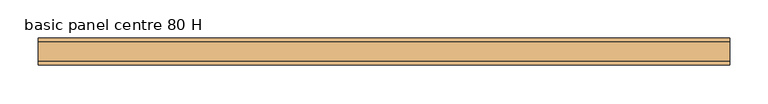
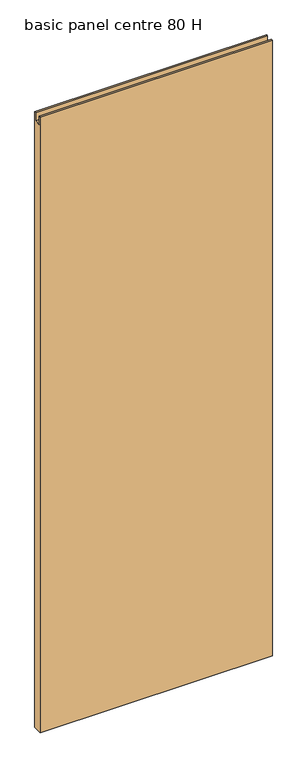
"""IFC4 building model written with IfcOpenShell, lengths in millimetres: door geometry, basic panel centre 80 H."""

import ifcopenshell
import ifcopenshell.guid

model = None  # the IFC model being written
_history = None  # IfcOwnerHistory: only IFC2X3 demands one
_inside = {}  # id of a spatial element -> (the spatial element, [elements in it])
_under = {}  # id of a project, library or spatial element -> (it, [spatial elements below it])
_declared = {}  # id of a project -> (the project, [libraries it declares])
_typed = {}  # id of a type object -> (the type object, [elements of that type])
_made_of = {}  # id of a material, layer set ... -> (it, [elements and type objects made of it])


def new_model(schema):
    """Start an empty IFC model of exactly this schema.

    Asked for "IFC4X3", IfcOpenShell would pick the latest addendum, in which some entities
    have other attributes; the version numbers below select the first issue.
    IFC2X3 requires an IfcOwnerHistory on every rooted entity: one is made here for all.
    """
    global model, _history
    if schema == "IFC4X3":
        model = ifcopenshell.file(schema_version=(4, 3, 0, 0))
    else:
        model = ifcopenshell.file(schema=schema)
    _inside.clear()
    _under.clear()
    _declared.clear()
    _typed.clear()
    _made_of.clear()
    _history = None
    if model.schema == "IFC2X3":
        org = make("IfcOrganization", Name="unknown")
        user = make(
            "IfcPersonAndOrganization",
            ThePerson=make("IfcPerson", FamilyName="unknown"),
            TheOrganization=org,
        )
        app = make(
            "IfcApplication",
            ApplicationDeveloper=org,
            Version="unknown",
            ApplicationFullName="unknown",
            ApplicationIdentifier="unknown",
        )
        _history = make(
            "IfcOwnerHistory",
            OwningUser=user,
            OwningApplication=app,
            ChangeAction="ADDED",
            CreationDate=0,
        )
    return model


def make(cls, **values):
    """One entity of the class cls with the attributes given. An attribute that is None is left unset."""
    return model.create_entity(
        cls, **{name: value for name, value in values.items() if value is not None}
    )


def rooted(cls, **values):
    """An entity with a GlobalId (a new one), such as an element, a storey or a relation."""
    return make(cls, GlobalId=ifcopenshell.guid.new(), OwnerHistory=_history, **values)


def si_unit(unit_type, name, prefix=None):
    """IfcSIUnit, for example si_unit("LENGTHUNIT", "METRE", prefix="MILLI")."""
    return make("IfcSIUnit", UnitType=unit_type, Prefix=prefix, Name=name)


def assignment(units):
    """IfcUnitAssignment: the units of a project."""
    return None if units is None else make("IfcUnitAssignment", Units=units)


def point(xyz):
    """IfcCartesianPoint."""
    return None if xyz is None else make("IfcCartesianPoint", Coordinates=xyz)


def direction(xyz):
    """IfcDirection."""
    return None if xyz is None else make("IfcDirection", DirectionRatios=xyz)


def frame(location, z_axis=None, x_axis=None):
    """IfcAxis2Placement3D, a coordinate frame: its origin and axes. An axis left out is left unset."""
    return make(
        "IfcAxis2Placement3D",
        Location=point(location),
        Axis=direction(z_axis),
        RefDirection=direction(x_axis),
    )


def origin():
    """The frame at (0, 0, 0) with its axes left unset."""
    return frame((0.0, 0.0, 0.0))


def place(relative_to, where):
    """IfcLocalPlacement: puts the frame where relative to a parent placement (None: the world)."""
    return make(
        "IfcLocalPlacement", PlacementRelTo=relative_to, RelativePlacement=where
    )


def context(
    kind, dimensions, precision=None, world=None, true_north=None, identifier=None
):
    """IfcGeometricRepresentationContext, for example the 3D "Model" context."""
    return make(
        "IfcGeometricRepresentationContext",
        ContextIdentifier=identifier,
        ContextType=kind,
        CoordinateSpaceDimension=dimensions,
        Precision=precision,
        WorldCoordinateSystem=world,
        TrueNorth=true_north,
    )


def project(units=None, contexts=None):
    """IfcProject with its units and contexts."""
    return rooted(
        "IfcProject",
        Name="project",
        RepresentationContexts=contexts,
        UnitsInContext=assignment(units),
    )


def spatial(cls, under=None, at=None, **own):
    """A site, building, storey or space (cls), placed at a placement, below another one or the project."""
    s = rooted(cls, ObjectPlacement=at, **own)
    if under is not None:
        _under.setdefault(under.id(), (under, []))[1].append(s)
    return s


def polyline(points):
    """IfcPolyline through the points."""
    return make("IfcPolyline", Points=[point(p) for p in points])


def outline(outer, holes=None, kind="AREA"):
    """IfcArbitraryClosedProfileDef: a profile drawn as a closed curve; with holes, ...WithVoids."""
    if holes is None:
        return make("IfcArbitraryClosedProfileDef", ProfileType=kind, OuterCurve=outer)
    return make(
        "IfcArbitraryProfileDefWithVoids",
        ProfileType=kind,
        OuterCurve=outer,
        InnerCurves=holes,
    )


def extrude(swept, where, along, depth):
    """IfcExtrudedAreaSolid: the profile swept, set in the frame where, extruded along a direction by depth."""
    return make(
        "IfcExtrudedAreaSolid",
        SweptArea=swept,
        Position=where,
        ExtrudedDirection=direction(along),
        Depth=depth,
    )


def shape(context_of_items, identifier, shape_type, items):
    """IfcShapeRepresentation: the items that make up one representation, for example the "Body"."""
    return make(
        "IfcShapeRepresentation",
        ContextOfItems=context_of_items,
        RepresentationIdentifier=identifier,
        RepresentationType=shape_type,
        Items=items,
    )


def source(mapping_origin, context_of_items, identifier, shape_type, items):
    """IfcRepresentationMap: a shape defined once, which mapped items show again and again."""
    return make(
        "IfcRepresentationMap",
        MappingOrigin=mapping_origin,
        MappedRepresentation=shape(context_of_items, identifier, shape_type, items),
    )


def transform(
    local_origin,
    x_axis=None,
    y_axis=None,
    z_axis=None,
    scale=None,
    scale2=None,
    scale3=None,
    uniform=True,
):
    """IfcCartesianTransformationOperator3D, or its non-uniform kind. x_axis, y_axis, z_axis: its Axis1, 2, 3."""
    if uniform:
        return make(
            "IfcCartesianTransformationOperator3D",
            Axis1=direction(x_axis),
            Axis2=direction(y_axis),
            LocalOrigin=point(local_origin),
            Scale=scale,
            Axis3=direction(z_axis),
        )
    return make(
        "IfcCartesianTransformationOperator3DnonUniform",
        Axis1=direction(x_axis),
        Axis2=direction(y_axis),
        LocalOrigin=point(local_origin),
        Scale=scale,
        Axis3=direction(z_axis),
        Scale2=scale2,
        Scale3=scale3,
    )


def mapped(mapping_source, mapping_target):
    """IfcMappedItem: shows the shape of a source again, moved by a transform."""
    return make(
        "IfcMappedItem", MappingSource=mapping_source, MappingTarget=mapping_target
    )


def made_of(thing, what):
    """Note that an element or type object is made of a material, layer set ...; save() writes the relation."""
    if what is not None:
        _made_of.setdefault(what.id(), (what, []))[1].append(thing)
    return thing


def element(
    cls,
    number,
    at=None,
    inside=None,
    cuts=None,
    type_object=None,
    material=None,
    context=None,
    identifier="Body",
    shape_type=None,
    held_by="IfcProductDefinitionShape",
    body=None,
    shapes=None,
    **own,
):
    """One element of the class cls, such as IfcWall. Its Tag is "e" and its number.

    at: its placement. inside: the storey or other place that contains it. cuts: it is an
    opening in that element (IfcRelVoidsElement). A single representation is given by context,
    identifier, shape_type and body (its items); several are given by shapes. held_by: the class
    of the entity that holds the representations. save() writes the other relations.
    """
    e = rooted(cls, Tag="e%d" % number, ObjectPlacement=at, **own)
    if body is not None:
        shapes = [shape(context, identifier, shape_type, body)]
    if shapes is not None:
        e.Representation = make(held_by, Representations=shapes)
    if inside is not None:
        _inside.setdefault(inside.id(), (inside, []))[1].append(e)
    if cuts is not None:
        rooted(
            "IfcRelVoidsElement", RelatingBuildingElement=cuts, RelatedOpeningElement=e
        )
    if type_object is not None:
        _typed.setdefault(type_object.id(), (type_object, []))[1].append(e)
    return made_of(e, material)


def aggregate(whole, parts):
    """IfcRelAggregates: a whole, such as a stair, and the parts it consists of."""
    return rooted("IfcRelAggregates", RelatingObject=whole, RelatedObjects=parts)


def save(model, path):
    """Write the relations noted so far, then the file.

    IfcRelAggregates (storeys below a building ...), IfcRelContainedInSpatialStructure (elements
    in a storey), IfcRelDefinesByType, IfcRelAssociatesMaterial and IfcRelDeclares: one each for
    every whole, place, type object, material and project.
    """
    for whole, parts in _under.values():
        aggregate(whole, parts)
    for where, things in _inside.values():
        rooted(
            "IfcRelContainedInSpatialStructure",
            RelatedElements=things,
            RelatingStructure=where,
        )
    for kind, things in _typed.values():
        rooted("IfcRelDefinesByType", RelatedObjects=things, RelatingType=kind)
    for what, things in _made_of.values():
        rooted("IfcRelAssociatesMaterial", RelatedObjects=things, RelatingMaterial=what)
    for by, libraries in _declared.values():
        rooted("IfcRelDeclares", RelatingContext=by, RelatedDefinitions=libraries)
    model.write(path)


def basic_panel_centre_80_h_8e242595(model_context):
    return source(origin(), model_context, "Body", "SweptSolid", [
        extrude(outline(polyline([(17.5, 11.0), (-17.5, 11.0), (-17.5, 2531.0), (-13.0, 2531.0), (-13.0, 2497.0), (13.0, 2497.0), (13.0, 2531.0), (17.5, 2531.0), (17.5, 11.0)])), frame((-449.6363636, 0.0, 0.0), z_axis=(1.0, 0.0, 0.0), x_axis=(0.0, 1.0, 0.0)), (0.0, 0.0, 1.0), 899.2727273),
    ])


if __name__ == "__main__":
    model = new_model("IFC4")
    model_context = context("Model", 3, world=origin())
    ifc_project = project(units=[si_unit("LENGTHUNIT", "METRE", prefix="MILLI")], contexts=[model_context])
    site = spatial("IfcSite", under=ifc_project)
    building = spatial("IfcBuilding", under=site)
    placement = place(None, origin())
    basic_panel_centre_80_h_shape = basic_panel_centre_80_h_8e242595(model_context)
    element("IfcDoor", 1, ObjectType="basic panel centre 80 H", at=placement, inside=building, context=model_context, shape_type="MappedRepresentation", body=[
        mapped(basic_panel_centre_80_h_shape, transform((0.0, 0.0, 0.0), x_axis=(1.0, 0.0, 0.0), y_axis=(0.0, 1.0, 0.0), z_axis=(0.0, 0.0, 1.0))),
    ])
    save(model, "model.ifc")
